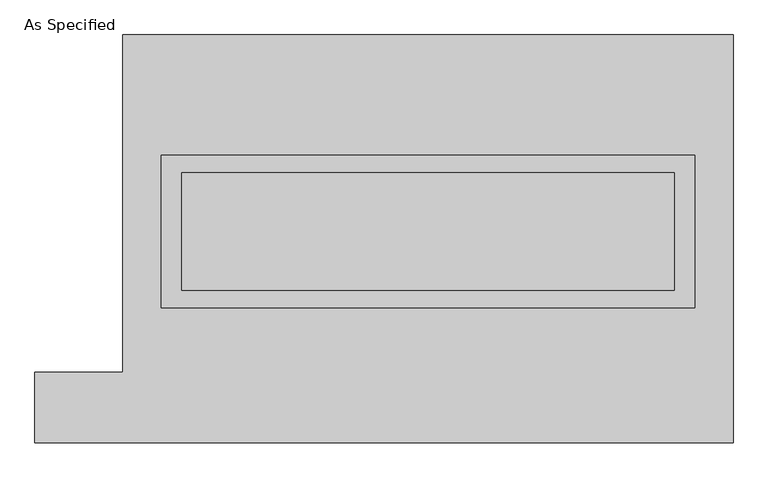
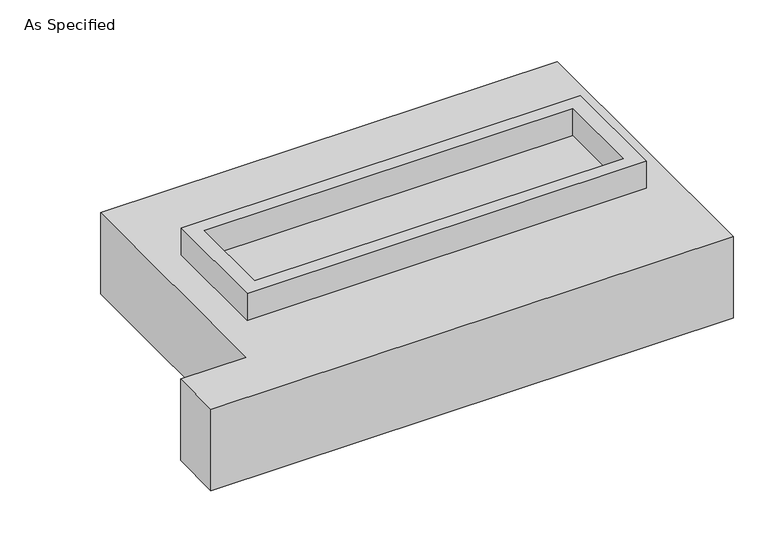
"""IFC4 building model written with IfcOpenShell, lengths in millimetres: proxy geometry, As Specified."""

from ifc_helpers import new_model, si_unit, frame, origin, place, context, project, spatial, polyline, outline, extrude, source, transform, mapped, element, save


def as_specified_c4664b4d(model_context):
    return source(origin(), model_context, "Body", "SweptSolid", [
        extrude(outline(polyline([(1155.7, 361.95), (1155.7, -298.45), (-1155.7, -298.45), (-1155.7, 361.95), (1155.7, 361.95)]), holes=[polyline([(1066.8, 285.75), (-1066.8, 285.75), (-1066.8, -222.25), (1066.8, -222.25), (1066.8, 285.75)])]), frame((0.0, 0.0, -688.975), z_axis=(0.0, 0.0, 1.0), x_axis=(1.0, 0.0, 0.0)), (0.0, 0.0, 1.0), 165.1),
        extrude(outline(polyline([(1155.7, 361.95), (1155.7, -298.45), (-1155.7, -298.45), (-1155.7, 361.95), (1155.7, 361.95)]), holes=[polyline([(1066.8, 285.75), (-1066.8, 285.75), (-1066.8, -222.25), (1066.8, -222.25), (1066.8, 285.75)])]), frame((0.0, 0.0, -25.4), z_axis=(0.0, 0.0, 1.0), x_axis=(1.0, 0.0, 0.0)), (0.0, 0.0, 1.0), 165.1),
        extrude(outline(polyline([(1066.8, 285.75), (1066.8, -222.25), (-1066.8, -222.25), (-1066.8, 285.75), (1066.8, 285.75)])), frame((0.0, 0.0, -523.875), z_axis=(0.0, 0.0, 1.0), x_axis=(1.0, 0.0, 0.0)), (0.0, 0.0, 1.0), 4.9609375),
        extrude(outline(polyline([(1066.8, 285.75), (1066.8, -222.25), (-1066.8, -222.25), (-1066.8, 285.75), (1066.8, 285.75)])), frame((0.0, 0.0, -30.3609375), z_axis=(0.0, 0.0, 1.0), x_axis=(1.0, 0.0, 0.0)), (0.0, 0.0, 1.0), 4.9609375),
        extrude(outline(polyline([(-1320.8, 882.65), (1320.8, 882.65), (1320.8, -882.65), (-1701.8, -882.65), (-1701.8, -577.85), (-1320.8, -577.85), (-1320.8, 882.65)]), holes=[polyline([(-1155.7, 361.95), (-1155.7, -298.45), (1155.7, -298.45), (1155.7, 361.95), (-1155.7, 361.95)])]), frame((0.0, 0.0, -523.875), z_axis=(0.0, 0.0, 1.0), x_axis=(1.0, 0.0, 0.0)), (0.0, 0.0, 1.0), 498.475),
    ])


if __name__ == "__main__":
    model = new_model("IFC4")
    model_context = context("Model", 3, world=origin())
    ifc_project = project(units=[si_unit("LENGTHUNIT", "METRE", prefix="MILLI")], contexts=[model_context])
    site = spatial("IfcSite", under=ifc_project)
    building = spatial("IfcBuilding", under=site)
    placement = place(None, origin())
    as_specified_shape = as_specified_c4664b4d(model_context)
    element("IfcBuildingElementProxy", 1, Name="As Specified", ObjectType="As Specified", at=placement, inside=building, context=model_context, shape_type="MappedRepresentation", body=[
        mapped(as_specified_shape, transform((0.0, 0.0, 0.0), x_axis=(1.0, 0.0, 0.0), y_axis=(0.0, 1.0, 0.0), z_axis=(0.0, 0.0, 1.0))),
    ])
    save(model, "model.ifc")
